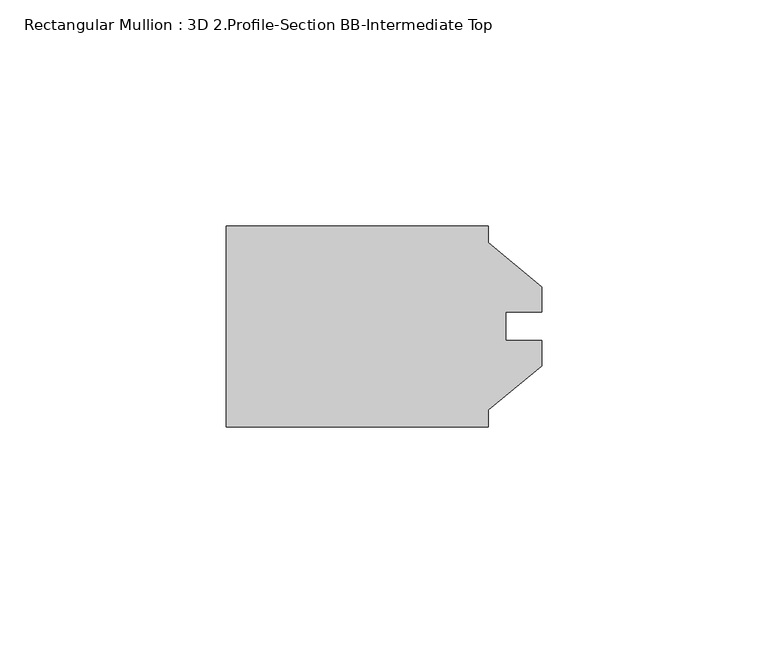
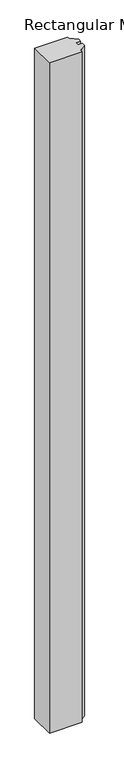
"""IFC4 building model written with IfcOpenShell, lengths in millimetres: member geometry, Rectangular Mullion : 3D 2.Profile-Section BB-Intermediate Top."""

import ifcopenshell
import ifcopenshell.guid

model = None  # the IFC model being written
_history = None  # IfcOwnerHistory: only IFC2X3 demands one
_inside = {}  # id of a spatial element -> (the spatial element, [elements in it])
_under = {}  # id of a project, library or spatial element -> (it, [spatial elements below it])
_declared = {}  # id of a project -> (the project, [libraries it declares])
_typed = {}  # id of a type object -> (the type object, [elements of that type])
_made_of = {}  # id of a material, layer set ... -> (it, [elements and type objects made of it])


def new_model(schema):
    """Start an empty IFC model of exactly this schema.

    Asked for "IFC4X3", IfcOpenShell would pick the latest addendum, in which some entities
    have other attributes; the version numbers below select the first issue.
    IFC2X3 requires an IfcOwnerHistory on every rooted entity: one is made here for all.
    """
    global model, _history
    if schema == "IFC4X3":
        model = ifcopenshell.file(schema_version=(4, 3, 0, 0))
    else:
        model = ifcopenshell.file(schema=schema)
    _inside.clear()
    _under.clear()
    _declared.clear()
    _typed.clear()
    _made_of.clear()
    _history = None
    if model.schema == "IFC2X3":
        org = make("IfcOrganization", Name="unknown")
        user = make(
            "IfcPersonAndOrganization",
            ThePerson=make("IfcPerson", FamilyName="unknown"),
            TheOrganization=org,
        )
        app = make(
            "IfcApplication",
            ApplicationDeveloper=org,
            Version="unknown",
            ApplicationFullName="unknown",
            ApplicationIdentifier="unknown",
        )
        _history = make(
            "IfcOwnerHistory",
            OwningUser=user,
            OwningApplication=app,
            ChangeAction="ADDED",
            CreationDate=0,
        )
    return model


def make(cls, **values):
    """One entity of the class cls with the attributes given. An attribute that is None is left unset."""
    return model.create_entity(
        cls, **{name: value for name, value in values.items() if value is not None}
    )


def rooted(cls, **values):
    """An entity with a GlobalId (a new one), such as an element, a storey or a relation."""
    return make(cls, GlobalId=ifcopenshell.guid.new(), OwnerHistory=_history, **values)


def si_unit(unit_type, name, prefix=None):
    """IfcSIUnit, for example si_unit("LENGTHUNIT", "METRE", prefix="MILLI")."""
    return make("IfcSIUnit", UnitType=unit_type, Prefix=prefix, Name=name)


def assignment(units):
    """IfcUnitAssignment: the units of a project."""
    return None if units is None else make("IfcUnitAssignment", Units=units)


def point(xyz):
    """IfcCartesianPoint."""
    return None if xyz is None else make("IfcCartesianPoint", Coordinates=xyz)


def direction(xyz):
    """IfcDirection."""
    return None if xyz is None else make("IfcDirection", DirectionRatios=xyz)


def frame(location, z_axis=None, x_axis=None):
    """IfcAxis2Placement3D, a coordinate frame: its origin and axes. An axis left out is left unset."""
    return make(
        "IfcAxis2Placement3D",
        Location=point(location),
        Axis=direction(z_axis),
        RefDirection=direction(x_axis),
    )


def origin():
    """The frame at (0, 0, 0) with its axes left unset."""
    return frame((0.0, 0.0, 0.0))


def place(relative_to, where):
    """IfcLocalPlacement: puts the frame where relative to a parent placement (None: the world)."""
    return make(
        "IfcLocalPlacement", PlacementRelTo=relative_to, RelativePlacement=where
    )


def context(
    kind, dimensions, precision=None, world=None, true_north=None, identifier=None
):
    """IfcGeometricRepresentationContext, for example the 3D "Model" context."""
    return make(
        "IfcGeometricRepresentationContext",
        ContextIdentifier=identifier,
        ContextType=kind,
        CoordinateSpaceDimension=dimensions,
        Precision=precision,
        WorldCoordinateSystem=world,
        TrueNorth=true_north,
    )


def project(units=None, contexts=None):
    """IfcProject with its units and contexts."""
    return rooted(
        "IfcProject",
        Name="project",
        RepresentationContexts=contexts,
        UnitsInContext=assignment(units),
    )


def spatial(cls, under=None, at=None, **own):
    """A site, building, storey or space (cls), placed at a placement, below another one or the project."""
    s = rooted(cls, ObjectPlacement=at, **own)
    if under is not None:
        _under.setdefault(under.id(), (under, []))[1].append(s)
    return s


def polyline(points):
    """IfcPolyline through the points."""
    return make("IfcPolyline", Points=[point(p) for p in points])


def outline(outer, holes=None, kind="AREA"):
    """IfcArbitraryClosedProfileDef: a profile drawn as a closed curve; with holes, ...WithVoids."""
    if holes is None:
        return make("IfcArbitraryClosedProfileDef", ProfileType=kind, OuterCurve=outer)
    return make(
        "IfcArbitraryProfileDefWithVoids",
        ProfileType=kind,
        OuterCurve=outer,
        InnerCurves=holes,
    )


def extrude(swept, where, along, depth):
    """IfcExtrudedAreaSolid: the profile swept, set in the frame where, extruded along a direction by depth."""
    return make(
        "IfcExtrudedAreaSolid",
        SweptArea=swept,
        Position=where,
        ExtrudedDirection=direction(along),
        Depth=depth,
    )


def shape(context_of_items, identifier, shape_type, items):
    """IfcShapeRepresentation: the items that make up one representation, for example the "Body"."""
    return make(
        "IfcShapeRepresentation",
        ContextOfItems=context_of_items,
        RepresentationIdentifier=identifier,
        RepresentationType=shape_type,
        Items=items,
    )


def source(mapping_origin, context_of_items, identifier, shape_type, items):
    """IfcRepresentationMap: a shape defined once, which mapped items show again and again."""
    return make(
        "IfcRepresentationMap",
        MappingOrigin=mapping_origin,
        MappedRepresentation=shape(context_of_items, identifier, shape_type, items),
    )


def transform(
    local_origin,
    x_axis=None,
    y_axis=None,
    z_axis=None,
    scale=None,
    scale2=None,
    scale3=None,
    uniform=True,
):
    """IfcCartesianTransformationOperator3D, or its non-uniform kind. x_axis, y_axis, z_axis: its Axis1, 2, 3."""
    if uniform:
        return make(
            "IfcCartesianTransformationOperator3D",
            Axis1=direction(x_axis),
            Axis2=direction(y_axis),
            LocalOrigin=point(local_origin),
            Scale=scale,
            Axis3=direction(z_axis),
        )
    return make(
        "IfcCartesianTransformationOperator3DnonUniform",
        Axis1=direction(x_axis),
        Axis2=direction(y_axis),
        LocalOrigin=point(local_origin),
        Scale=scale,
        Axis3=direction(z_axis),
        Scale2=scale2,
        Scale3=scale3,
    )


def mapped(mapping_source, mapping_target):
    """IfcMappedItem: shows the shape of a source again, moved by a transform."""
    return make(
        "IfcMappedItem", MappingSource=mapping_source, MappingTarget=mapping_target
    )


def made_of(thing, what):
    """Note that an element or type object is made of a material, layer set ...; save() writes the relation."""
    if what is not None:
        _made_of.setdefault(what.id(), (what, []))[1].append(thing)
    return thing


def element(
    cls,
    number,
    at=None,
    inside=None,
    cuts=None,
    type_object=None,
    material=None,
    context=None,
    identifier="Body",
    shape_type=None,
    held_by="IfcProductDefinitionShape",
    body=None,
    shapes=None,
    **own,
):
    """One element of the class cls, such as IfcWall. Its Tag is "e" and its number.

    at: its placement. inside: the storey or other place that contains it. cuts: it is an
    opening in that element (IfcRelVoidsElement). A single representation is given by context,
    identifier, shape_type and body (its items); several are given by shapes. held_by: the class
    of the entity that holds the representations. save() writes the other relations.
    """
    e = rooted(cls, Tag="e%d" % number, ObjectPlacement=at, **own)
    if body is not None:
        shapes = [shape(context, identifier, shape_type, body)]
    if shapes is not None:
        e.Representation = make(held_by, Representations=shapes)
    if inside is not None:
        _inside.setdefault(inside.id(), (inside, []))[1].append(e)
    if cuts is not None:
        rooted(
            "IfcRelVoidsElement", RelatingBuildingElement=cuts, RelatedOpeningElement=e
        )
    if type_object is not None:
        _typed.setdefault(type_object.id(), (type_object, []))[1].append(e)
    return made_of(e, material)


def aggregate(whole, parts):
    """IfcRelAggregates: a whole, such as a stair, and the parts it consists of."""
    return rooted("IfcRelAggregates", RelatingObject=whole, RelatedObjects=parts)


def save(model, path):
    """Write the relations noted so far, then the file.

    IfcRelAggregates (storeys below a building ...), IfcRelContainedInSpatialStructure (elements
    in a storey), IfcRelDefinesByType, IfcRelAssociatesMaterial and IfcRelDeclares: one each for
    every whole, place, type object, material and project.
    """
    for whole, parts in _under.values():
        aggregate(whole, parts)
    for where, things in _inside.values():
        rooted(
            "IfcRelContainedInSpatialStructure",
            RelatedElements=things,
            RelatingStructure=where,
        )
    for kind, things in _typed.values():
        rooted("IfcRelDefinesByType", RelatedObjects=things, RelatingType=kind)
    for what, things in _made_of.values():
        rooted("IfcRelAssociatesMaterial", RelatedObjects=things, RelatingMaterial=what)
    for by, libraries in _declared.values():
        rooted("IfcRelDeclares", RelatingContext=by, RelatedDefinitions=libraries)
    model.write(path)


def rectangular_mullion_3d_2_profile_section_bb_intermediate_top_ee3dbb32(model_context):
    return source(origin(), model_context, "Body", "SweptSolid", [
        extrude(outline(polyline([(0.796925, 22.2630811), (58.734325, 22.2630811), (58.734325, 18.5569171), (70.640575, 8.7883811), (70.640575, 3.2130811), (62.696725, 3.2130811), (62.696725, -3.1369189), (70.640575, -3.1369189), (70.640575, -8.7122189), (58.734325, -18.4807549), (58.734325, -22.1869189), (0.796925, -22.1869189), (0.796925, 22.2630811)])), frame((0.0, 0.0, -1246.6813239), z_axis=(0.0, 0.0, 1.0), x_axis=(1.0, 0.0, 0.0)), (0.0, 0.0, 1.0), 1246.6813239),
    ])


if __name__ == "__main__":
    model = new_model("IFC4")
    model_context = context("Model", 3, world=origin())
    ifc_project = project(units=[si_unit("LENGTHUNIT", "METRE", prefix="MILLI")], contexts=[model_context])
    site = spatial("IfcSite", under=ifc_project)
    building = spatial("IfcBuilding", under=site)
    placement = place(None, origin())
    rectangular_mullion_3d_2_profile_section_bb_intermediate_top_shape = rectangular_mullion_3d_2_profile_section_bb_intermediate_top_ee3dbb32(model_context)
    element("IfcMember", 1, ObjectType="Rectangular Mullion : 3D 2.Profile-Section BB-Intermediate Top", at=placement, inside=building, context=model_context, shape_type="MappedRepresentation", body=[
        mapped(rectangular_mullion_3d_2_profile_section_bb_intermediate_top_shape, transform((0.0, 0.0, 0.0), x_axis=(1.0, 0.0, 0.0), y_axis=(0.0, 1.0, 0.0), z_axis=(0.0, 0.0, 1.0))),
    ])
    save(model, "model.ifc")
